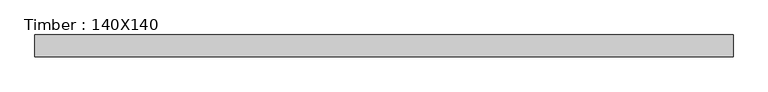
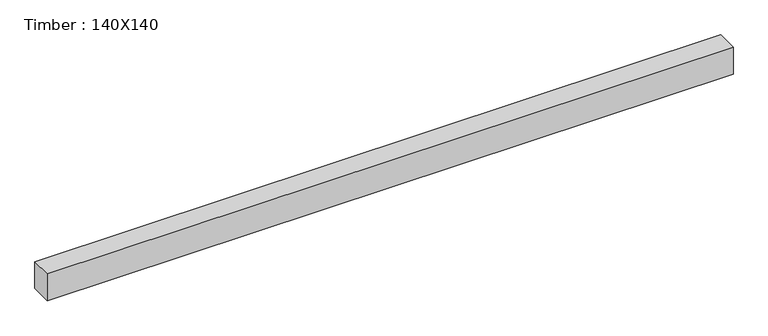
"""IFC4 building model written with IfcOpenShell, lengths in millimetres: beam geometry, Timber : 140X140."""

from ifc_helpers import new_model, si_unit, frame, origin, place, context, project, spatial, polyline, outline, extrude, source, transform, mapped, element, save


def timber_140x140_eb8d2ea2(model_context):
    return source(origin(), model_context, "Body", "SweptSolid", [
        extrude(outline(polyline([(9649.5, 300.0), (9649.5, -300.0), (-9649.5, -300.0), (-9649.5, 300.0), (9649.5, 300.0)])), frame((0.0, 0.0, -400.0), z_axis=(0.0, 0.0, 1.0), x_axis=(1.0, 0.0, 0.0)), (0.0, 0.0, 1.0), 800.0),
    ])


if __name__ == "__main__":
    model = new_model("IFC4")
    model_context = context("Model", 3, world=origin())
    ifc_project = project(units=[si_unit("LENGTHUNIT", "METRE", prefix="MILLI")], contexts=[model_context])
    site = spatial("IfcSite", under=ifc_project)
    building = spatial("IfcBuilding", under=site)
    placement = place(None, origin())
    timber_140x140_shape = timber_140x140_eb8d2ea2(model_context)
    element("IfcBeam", 1, ObjectType="Timber : 140X140", at=placement, inside=building, context=model_context, shape_type="MappedRepresentation", body=[
        mapped(timber_140x140_shape, transform((0.0, 0.0, 0.0), x_axis=(1.0, 0.0, 0.0), y_axis=(0.0, 1.0, 0.0), z_axis=(0.0, 0.0, 1.0))),
    ])
    save(model, "model.ifc")
